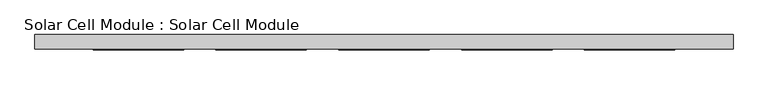
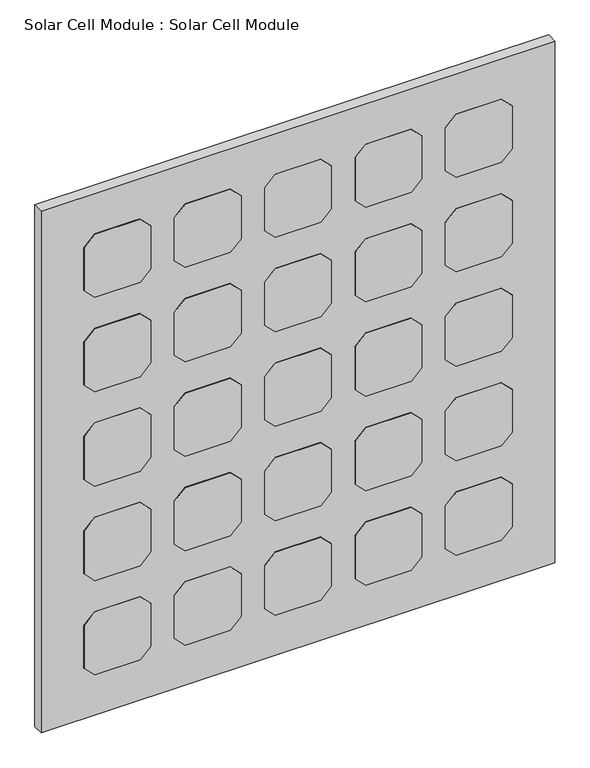
"""IFC4 building model written with IfcOpenShell, lengths in millimetres: plate geometry, Solar Cell Module : Solar Cell Module."""

import ifcopenshell
import ifcopenshell.guid

model = None  # the IFC model being written
_history = None  # IfcOwnerHistory: only IFC2X3 demands one
_inside = {}  # id of a spatial element -> (the spatial element, [elements in it])
_under = {}  # id of a project, library or spatial element -> (it, [spatial elements below it])
_declared = {}  # id of a project -> (the project, [libraries it declares])
_typed = {}  # id of a type object -> (the type object, [elements of that type])
_made_of = {}  # id of a material, layer set ... -> (it, [elements and type objects made of it])


def new_model(schema):
    """Start an empty IFC model of exactly this schema.

    Asked for "IFC4X3", IfcOpenShell would pick the latest addendum, in which some entities
    have other attributes; the version numbers below select the first issue.
    IFC2X3 requires an IfcOwnerHistory on every rooted entity: one is made here for all.
    """
    global model, _history
    if schema == "IFC4X3":
        model = ifcopenshell.file(schema_version=(4, 3, 0, 0))
    else:
        model = ifcopenshell.file(schema=schema)
    _inside.clear()
    _under.clear()
    _declared.clear()
    _typed.clear()
    _made_of.clear()
    _history = None
    if model.schema == "IFC2X3":
        org = make("IfcOrganization", Name="unknown")
        user = make(
            "IfcPersonAndOrganization",
            ThePerson=make("IfcPerson", FamilyName="unknown"),
            TheOrganization=org,
        )
        app = make(
            "IfcApplication",
            ApplicationDeveloper=org,
            Version="unknown",
            ApplicationFullName="unknown",
            ApplicationIdentifier="unknown",
        )
        _history = make(
            "IfcOwnerHistory",
            OwningUser=user,
            OwningApplication=app,
            ChangeAction="ADDED",
            CreationDate=0,
        )
    return model


def make(cls, **values):
    """One entity of the class cls with the attributes given. An attribute that is None is left unset."""
    return model.create_entity(
        cls, **{name: value for name, value in values.items() if value is not None}
    )


def rooted(cls, **values):
    """An entity with a GlobalId (a new one), such as an element, a storey or a relation."""
    return make(cls, GlobalId=ifcopenshell.guid.new(), OwnerHistory=_history, **values)


def si_unit(unit_type, name, prefix=None):
    """IfcSIUnit, for example si_unit("LENGTHUNIT", "METRE", prefix="MILLI")."""
    return make("IfcSIUnit", UnitType=unit_type, Prefix=prefix, Name=name)


def assignment(units):
    """IfcUnitAssignment: the units of a project."""
    return None if units is None else make("IfcUnitAssignment", Units=units)


def point(xyz):
    """IfcCartesianPoint."""
    return None if xyz is None else make("IfcCartesianPoint", Coordinates=xyz)


def direction(xyz):
    """IfcDirection."""
    return None if xyz is None else make("IfcDirection", DirectionRatios=xyz)


def frame(location, z_axis=None, x_axis=None):
    """IfcAxis2Placement3D, a coordinate frame: its origin and axes. An axis left out is left unset."""
    return make(
        "IfcAxis2Placement3D",
        Location=point(location),
        Axis=direction(z_axis),
        RefDirection=direction(x_axis),
    )


def origin():
    """The frame at (0, 0, 0) with its axes left unset."""
    return frame((0.0, 0.0, 0.0))


def origin_with_axes():
    """The frame at (0, 0, 0) with the z axis (0, 0, 1) and the x axis (1, 0, 0) written out."""
    return frame((0.0, 0.0, 0.0), z_axis=(0.0, 0.0, 1.0), x_axis=(1.0, 0.0, 0.0))


def place(relative_to, where):
    """IfcLocalPlacement: puts the frame where relative to a parent placement (None: the world)."""
    return make(
        "IfcLocalPlacement", PlacementRelTo=relative_to, RelativePlacement=where
    )


def context(
    kind, dimensions, precision=None, world=None, true_north=None, identifier=None
):
    """IfcGeometricRepresentationContext, for example the 3D "Model" context."""
    return make(
        "IfcGeometricRepresentationContext",
        ContextIdentifier=identifier,
        ContextType=kind,
        CoordinateSpaceDimension=dimensions,
        Precision=precision,
        WorldCoordinateSystem=world,
        TrueNorth=true_north,
    )


def project(units=None, contexts=None):
    """IfcProject with its units and contexts."""
    return rooted(
        "IfcProject",
        Name="project",
        RepresentationContexts=contexts,
        UnitsInContext=assignment(units),
    )


def spatial(cls, under=None, at=None, **own):
    """A site, building, storey or space (cls), placed at a placement, below another one or the project."""
    s = rooted(cls, ObjectPlacement=at, **own)
    if under is not None:
        _under.setdefault(under.id(), (under, []))[1].append(s)
    return s


def polyline(points):
    """IfcPolyline through the points."""
    return make("IfcPolyline", Points=[point(p) for p in points])


def outline(outer, holes=None, kind="AREA"):
    """IfcArbitraryClosedProfileDef: a profile drawn as a closed curve; with holes, ...WithVoids."""
    if holes is None:
        return make("IfcArbitraryClosedProfileDef", ProfileType=kind, OuterCurve=outer)
    return make(
        "IfcArbitraryProfileDefWithVoids",
        ProfileType=kind,
        OuterCurve=outer,
        InnerCurves=holes,
    )


def extrude(swept, where, along, depth):
    """IfcExtrudedAreaSolid: the profile swept, set in the frame where, extruded along a direction by depth."""
    return make(
        "IfcExtrudedAreaSolid",
        SweptArea=swept,
        Position=where,
        ExtrudedDirection=direction(along),
        Depth=depth,
    )


def shape(context_of_items, identifier, shape_type, items):
    """IfcShapeRepresentation: the items that make up one representation, for example the "Body"."""
    return make(
        "IfcShapeRepresentation",
        ContextOfItems=context_of_items,
        RepresentationIdentifier=identifier,
        RepresentationType=shape_type,
        Items=items,
    )


def source(mapping_origin, context_of_items, identifier, shape_type, items):
    """IfcRepresentationMap: a shape defined once, which mapped items show again and again."""
    return make(
        "IfcRepresentationMap",
        MappingOrigin=mapping_origin,
        MappedRepresentation=shape(context_of_items, identifier, shape_type, items),
    )


def transform(
    local_origin,
    x_axis=None,
    y_axis=None,
    z_axis=None,
    scale=None,
    scale2=None,
    scale3=None,
    uniform=True,
):
    """IfcCartesianTransformationOperator3D, or its non-uniform kind. x_axis, y_axis, z_axis: its Axis1, 2, 3."""
    if uniform:
        return make(
            "IfcCartesianTransformationOperator3D",
            Axis1=direction(x_axis),
            Axis2=direction(y_axis),
            LocalOrigin=point(local_origin),
            Scale=scale,
            Axis3=direction(z_axis),
        )
    return make(
        "IfcCartesianTransformationOperator3DnonUniform",
        Axis1=direction(x_axis),
        Axis2=direction(y_axis),
        LocalOrigin=point(local_origin),
        Scale=scale,
        Axis3=direction(z_axis),
        Scale2=scale2,
        Scale3=scale3,
    )


def mapped(mapping_source, mapping_target):
    """IfcMappedItem: shows the shape of a source again, moved by a transform."""
    return make(
        "IfcMappedItem", MappingSource=mapping_source, MappingTarget=mapping_target
    )


def made_of(thing, what):
    """Note that an element or type object is made of a material, layer set ...; save() writes the relation."""
    if what is not None:
        _made_of.setdefault(what.id(), (what, []))[1].append(thing)
    return thing


def element(
    cls,
    number,
    at=None,
    inside=None,
    cuts=None,
    type_object=None,
    material=None,
    context=None,
    identifier="Body",
    shape_type=None,
    held_by="IfcProductDefinitionShape",
    body=None,
    shapes=None,
    **own,
):
    """One element of the class cls, such as IfcWall. Its Tag is "e" and its number.

    at: its placement. inside: the storey or other place that contains it. cuts: it is an
    opening in that element (IfcRelVoidsElement). A single representation is given by context,
    identifier, shape_type and body (its items); several are given by shapes. held_by: the class
    of the entity that holds the representations. save() writes the other relations.
    """
    e = rooted(cls, Tag="e%d" % number, ObjectPlacement=at, **own)
    if body is not None:
        shapes = [shape(context, identifier, shape_type, body)]
    if shapes is not None:
        e.Representation = make(held_by, Representations=shapes)
    if inside is not None:
        _inside.setdefault(inside.id(), (inside, []))[1].append(e)
    if cuts is not None:
        rooted(
            "IfcRelVoidsElement", RelatingBuildingElement=cuts, RelatedOpeningElement=e
        )
    if type_object is not None:
        _typed.setdefault(type_object.id(), (type_object, []))[1].append(e)
    return made_of(e, material)


def aggregate(whole, parts):
    """IfcRelAggregates: a whole, such as a stair, and the parts it consists of."""
    return rooted("IfcRelAggregates", RelatingObject=whole, RelatedObjects=parts)


def save(model, path):
    """Write the relations noted so far, then the file.

    IfcRelAggregates (storeys below a building ...), IfcRelContainedInSpatialStructure (elements
    in a storey), IfcRelDefinesByType, IfcRelAssociatesMaterial and IfcRelDeclares: one each for
    every whole, place, type object, material and project.
    """
    for whole, parts in _under.values():
        aggregate(whole, parts)
    for where, things in _inside.values():
        rooted(
            "IfcRelContainedInSpatialStructure",
            RelatedElements=things,
            RelatingStructure=where,
        )
    for kind, things in _typed.values():
        rooted("IfcRelDefinesByType", RelatedObjects=things, RelatingType=kind)
    for what, things in _made_of.values():
        rooted("IfcRelAssociatesMaterial", RelatedObjects=things, RelatingMaterial=what)
    for by, libraries in _declared.values():
        rooted("IfcRelDeclares", RelatingContext=by, RelatedDefinitions=libraries)
    model.write(path)


def solar_cell_module_solar_cell_module_f9954717(model_context):
    return source(origin(), model_context, "Body", "SweptSolid", [
        extrude(outline(polyline([(800.7570389, 264.3689301), (825.7570389, 289.3689301), (931.7570389, 289.3689301), (956.7570389, 264.3689301), (956.7570389, 158.3689301), (931.7570389, 133.3689301), (825.7570389, 133.3689301), (800.7570389, 158.3689301), (800.7570389, 264.3689301)])), frame((0.0, -26.0, 0.0), z_axis=(0.0, 1.0, 0.0), x_axis=(0.0, 0.0, 1.0)), (0.0, 0.0, 1.0), 1.0),
        extrude(outline(polyline([(567.1713593, 264.3689301), (592.1713593, 289.3689301), (698.1713593, 289.3689301), (723.1713593, 264.3689301), (723.1713593, 158.3689301), (698.1713593, 133.3689301), (592.1713593, 133.3689301), (567.1713593, 158.3689301), (567.1713593, 264.3689301)])), frame((0.0, -26.0, 0.0), z_axis=(0.0, 1.0, 0.0), x_axis=(0.0, 0.0, 1.0)), (0.0, 0.0, 1.0), 1.0),
        extrude(outline(polyline([(333.5856796, 264.3689301), (358.5856796, 289.3689301), (464.5856796, 289.3689301), (489.5856796, 264.3689301), (489.5856796, 158.3689301), (464.5856796, 133.3689301), (358.5856796, 133.3689301), (333.5856796, 158.3689301), (333.5856796, 264.3689301)])), frame((0.0, -26.0, 0.0), z_axis=(0.0, 1.0, 0.0), x_axis=(0.0, 0.0, 1.0)), (0.0, 0.0, 1.0), 1.0),
        extrude(outline(polyline([(1034.3427185, 264.3689301), (1059.3427185, 289.3689301), (1165.3427185, 289.3689301), (1190.3427185, 264.3689301), (1190.3427185, 158.3689301), (1165.3427185, 133.3689301), (1059.3427185, 133.3689301), (1034.3427185, 158.3689301), (1034.3427185, 264.3689301)])), frame((0.0, -26.0, 0.0), z_axis=(0.0, 1.0, 0.0), x_axis=(0.0, 0.0, 1.0)), (0.0, 0.0, 1.0), 1.0),
        extrude(outline(polyline([(100.0, 264.3689301), (125.0, 289.3689301), (231.0, 289.3689301), (256.0, 264.3689301), (256.0, 158.3689301), (231.0, 133.3689301), (125.0, 133.3689301), (100.0, 158.3689301), (100.0, 264.3689301)])), frame((0.0, -26.0, 0.0), z_axis=(0.0, 1.0, 0.0), x_axis=(0.0, 0.0, 1.0)), (0.0, 0.0, 1.0), 1.0),
        extrude(outline(polyline([(800.7570389, 53.0), (825.7570389, 78.0), (931.7570389, 78.0), (956.7570389, 53.0), (956.7570389, -53.0), (931.7570389, -78.0), (825.7570389, -78.0), (800.7570389, -53.0), (800.7570389, 53.0)])), frame((0.0, -26.0, 0.0), z_axis=(0.0, 1.0, 0.0), x_axis=(0.0, 0.0, 1.0)), (0.0, 0.0, 1.0), 1.0),
        extrude(outline(polyline([(567.1713593, 53.0), (592.1713593, 78.0), (698.1713593, 78.0), (723.1713593, 53.0), (723.1713593, -53.0), (698.1713593, -78.0), (592.1713593, -78.0), (567.1713593, -53.0), (567.1713593, 53.0)])), frame((0.0, -26.0, 0.0), z_axis=(0.0, 1.0, 0.0), x_axis=(0.0, 0.0, 1.0)), (0.0, 0.0, 1.0), 1.0),
        extrude(outline(polyline([(333.5856796, 53.0), (358.5856796, 78.0), (464.5856796, 78.0), (489.5856796, 53.0), (489.5856796, -53.0), (464.5856796, -78.0), (358.5856796, -78.0), (333.5856796, -53.0), (333.5856796, 53.0)])), frame((0.0, -26.0, 0.0), z_axis=(0.0, 1.0, 0.0), x_axis=(0.0, 0.0, 1.0)), (0.0, 0.0, 1.0), 1.0),
        extrude(outline(polyline([(1034.3427185, 53.0), (1059.3427185, 78.0), (1165.3427185, 78.0), (1190.3427185, 53.0), (1190.3427185, -53.0), (1165.3427185, -78.0), (1059.3427185, -78.0), (1034.3427185, -53.0), (1034.3427185, 53.0)])), frame((0.0, -26.0, 0.0), z_axis=(0.0, 1.0, 0.0), x_axis=(0.0, 0.0, 1.0)), (0.0, 0.0, 1.0), 1.0),
        extrude(outline(polyline([(100.0, 53.0), (125.0, 78.0), (231.0, 78.0), (256.0, 53.0), (256.0, -53.0), (231.0, -78.0), (125.0, -78.0), (100.0, -53.0), (100.0, 53.0)])), frame((0.0, -26.0, 0.0), z_axis=(0.0, 1.0, 0.0), x_axis=(0.0, 0.0, 1.0)), (0.0, 0.0, 1.0), 1.0),
        extrude(outline(polyline([(800.7570389, -158.3689301), (825.7570389, -133.3689301), (931.7570389, -133.3689301), (956.7570389, -158.3689301), (956.7570389, -264.3689301), (931.7570389, -289.3689301), (825.7570389, -289.3689301), (800.7570389, -264.3689301), (800.7570389, -158.3689301)])), frame((0.0, -26.0, 0.0), z_axis=(0.0, 1.0, 0.0), x_axis=(0.0, 0.0, 1.0)), (0.0, 0.0, 1.0), 1.0),
        extrude(outline(polyline([(567.1713593, -158.3689301), (592.1713593, -133.3689301), (698.1713593, -133.3689301), (723.1713593, -158.3689301), (723.1713593, -264.3689301), (698.1713593, -289.3689301), (592.1713593, -289.3689301), (567.1713593, -264.3689301), (567.1713593, -158.3689301)])), frame((0.0, -26.0, 0.0), z_axis=(0.0, 1.0, 0.0), x_axis=(0.0, 0.0, 1.0)), (0.0, 0.0, 1.0), 1.0),
        extrude(outline(polyline([(333.5856796, -158.3689301), (358.5856796, -133.3689301), (464.5856796, -133.3689301), (489.5856796, -158.3689301), (489.5856796, -264.3689301), (464.5856796, -289.3689301), (358.5856796, -289.3689301), (333.5856796, -264.3689301), (333.5856796, -158.3689301)])), frame((0.0, -26.0, 0.0), z_axis=(0.0, 1.0, 0.0), x_axis=(0.0, 0.0, 1.0)), (0.0, 0.0, 1.0), 1.0),
        extrude(outline(polyline([(1034.3427185, -158.3689301), (1059.3427185, -133.3689301), (1165.3427185, -133.3689301), (1190.3427185, -158.3689301), (1190.3427185, -264.3689301), (1165.3427185, -289.3689301), (1059.3427185, -289.3689301), (1034.3427185, -264.3689301), (1034.3427185, -158.3689301)])), frame((0.0, -26.0, 0.0), z_axis=(0.0, 1.0, 0.0), x_axis=(0.0, 0.0, 1.0)), (0.0, 0.0, 1.0), 1.0),
        extrude(outline(polyline([(100.0, -158.3689301), (125.0, -133.3689301), (231.0, -133.3689301), (256.0, -158.3689301), (256.0, -264.3689301), (231.0, -289.3689301), (125.0, -289.3689301), (100.0, -264.3689301), (100.0, -158.3689301)])), frame((0.0, -26.0, 0.0), z_axis=(0.0, 1.0, 0.0), x_axis=(0.0, 0.0, 1.0)), (0.0, 0.0, 1.0), 1.0),
        extrude(outline(polyline([(800.7570389, 475.7378602), (825.7570389, 500.7378602), (931.7570389, 500.7378602), (956.7570389, 475.7378602), (956.7570389, 369.7378602), (931.7570389, 344.7378602), (825.7570389, 344.7378602), (800.7570389, 369.7378602), (800.7570389, 475.7378602)])), frame((0.0, -26.0, 0.0), z_axis=(0.0, 1.0, 0.0), x_axis=(0.0, 0.0, 1.0)), (0.0, 0.0, 1.0), 1.0),
        extrude(outline(polyline([(567.1713593, 475.7378602), (592.1713593, 500.7378602), (698.1713593, 500.7378602), (723.1713593, 475.7378602), (723.1713593, 369.7378602), (698.1713593, 344.7378602), (592.1713593, 344.7378602), (567.1713593, 369.7378602), (567.1713593, 475.7378602)])), frame((0.0, -26.0, 0.0), z_axis=(0.0, 1.0, 0.0), x_axis=(0.0, 0.0, 1.0)), (0.0, 0.0, 1.0), 1.0),
        extrude(outline(polyline([(333.5856796, 475.7378602), (358.5856796, 500.7378602), (464.5856796, 500.7378602), (489.5856796, 475.7378602), (489.5856796, 369.7378602), (464.5856796, 344.7378602), (358.5856796, 344.7378602), (333.5856796, 369.7378602), (333.5856796, 475.7378602)])), frame((0.0, -26.0, 0.0), z_axis=(0.0, 1.0, 0.0), x_axis=(0.0, 0.0, 1.0)), (0.0, 0.0, 1.0), 1.0),
        extrude(outline(polyline([(1034.3427185, 475.7378602), (1059.3427185, 500.7378602), (1165.3427185, 500.7378602), (1190.3427185, 475.7378602), (1190.3427185, 369.7378602), (1165.3427185, 344.7378602), (1059.3427185, 344.7378602), (1034.3427185, 369.7378602), (1034.3427185, 475.7378602)])), frame((0.0, -26.0, 0.0), z_axis=(0.0, 1.0, 0.0), x_axis=(0.0, 0.0, 1.0)), (0.0, 0.0, 1.0), 1.0),
        extrude(outline(polyline([(100.0, 475.7378602), (125.0, 500.7378602), (231.0, 500.7378602), (256.0, 475.7378602), (256.0, 369.7378602), (231.0, 344.7378602), (125.0, 344.7378602), (100.0, 369.7378602), (100.0, 475.7378602)])), frame((0.0, -26.0, 0.0), z_axis=(0.0, 1.0, 0.0), x_axis=(0.0, 0.0, 1.0)), (0.0, 0.0, 1.0), 1.0),
        extrude(outline(polyline([(800.7570389, -369.7378602), (825.7570389, -344.7378602), (931.7570389, -344.7378602), (956.7570389, -369.7378602), (956.7570389, -475.7378602), (931.7570389, -500.7378602), (825.7570389, -500.7378602), (800.7570389, -475.7378602), (800.7570389, -369.7378602)])), frame((0.0, -26.0, 0.0), z_axis=(0.0, 1.0, 0.0), x_axis=(0.0, 0.0, 1.0)), (0.0, 0.0, 1.0), 1.0),
        extrude(outline(polyline([(567.1713593, -369.7378602), (592.1713593, -344.7378602), (698.1713593, -344.7378602), (723.1713593, -369.7378602), (723.1713593, -475.7378602), (698.1713593, -500.7378602), (592.1713593, -500.7378602), (567.1713593, -475.7378602), (567.1713593, -369.7378602)])), frame((0.0, -26.0, 0.0), z_axis=(0.0, 1.0, 0.0), x_axis=(0.0, 0.0, 1.0)), (0.0, 0.0, 1.0), 1.0),
        extrude(outline(polyline([(333.5856796, -369.7378602), (358.5856796, -344.7378602), (464.5856796, -344.7378602), (489.5856796, -369.7378602), (489.5856796, -475.7378602), (464.5856796, -500.7378602), (358.5856796, -500.7378602), (333.5856796, -475.7378602), (333.5856796, -369.7378602)])), frame((0.0, -26.0, 0.0), z_axis=(0.0, 1.0, 0.0), x_axis=(0.0, 0.0, 1.0)), (0.0, 0.0, 1.0), 1.0),
        extrude(outline(polyline([(1034.3427185, -369.7378602), (1059.3427185, -344.7378602), (1165.3427185, -344.7378602), (1190.3427185, -369.7378602), (1190.3427185, -475.7378602), (1165.3427185, -500.7378602), (1059.3427185, -500.7378602), (1034.3427185, -475.7378602), (1034.3427185, -369.7378602)])), frame((0.0, -26.0, 0.0), z_axis=(0.0, 1.0, 0.0), x_axis=(0.0, 0.0, 1.0)), (0.0, 0.0, 1.0), 1.0),
        extrude(outline(polyline([(100.0, -369.7378602), (125.0, -344.7378602), (231.0, -344.7378602), (256.0, -369.7378602), (256.0, -475.7378602), (231.0, -500.7378602), (125.0, -500.7378602), (100.0, -475.7378602), (100.0, -369.7378602)])), frame((0.0, -26.0, 0.0), z_axis=(0.0, 1.0, 0.0), x_axis=(0.0, 0.0, 1.0)), (0.0, 0.0, 1.0), 1.0),
        extrude(outline(polyline([(600.7378602, -25.0), (-600.7378602, -25.0), (-600.7378602, 0.0), (600.7378602, 0.0), (600.7378602, -25.0)])), origin_with_axes(), (0.0, 0.0, 1.0), 1290.3427185),
    ])


if __name__ == "__main__":
    model = new_model("IFC4")
    model_context = context("Model", 3, world=origin())
    ifc_project = project(units=[si_unit("LENGTHUNIT", "METRE", prefix="MILLI")], contexts=[model_context])
    site = spatial("IfcSite", under=ifc_project)
    building = spatial("IfcBuilding", under=site)
    placement = place(None, origin())
    solar_cell_module_solar_cell_module_shape = solar_cell_module_solar_cell_module_f9954717(model_context)
    element("IfcPlate", 1, ObjectType="Solar Cell Module : Solar Cell Module", at=placement, inside=building, context=model_context, shape_type="MappedRepresentation", body=[
        mapped(solar_cell_module_solar_cell_module_shape, transform((0.0, 0.0, 0.0), x_axis=(1.0, 0.0, 0.0), y_axis=(0.0, 1.0, 0.0), z_axis=(0.0, 0.0, 1.0))),
    ])
    save(model, "model.ifc")
